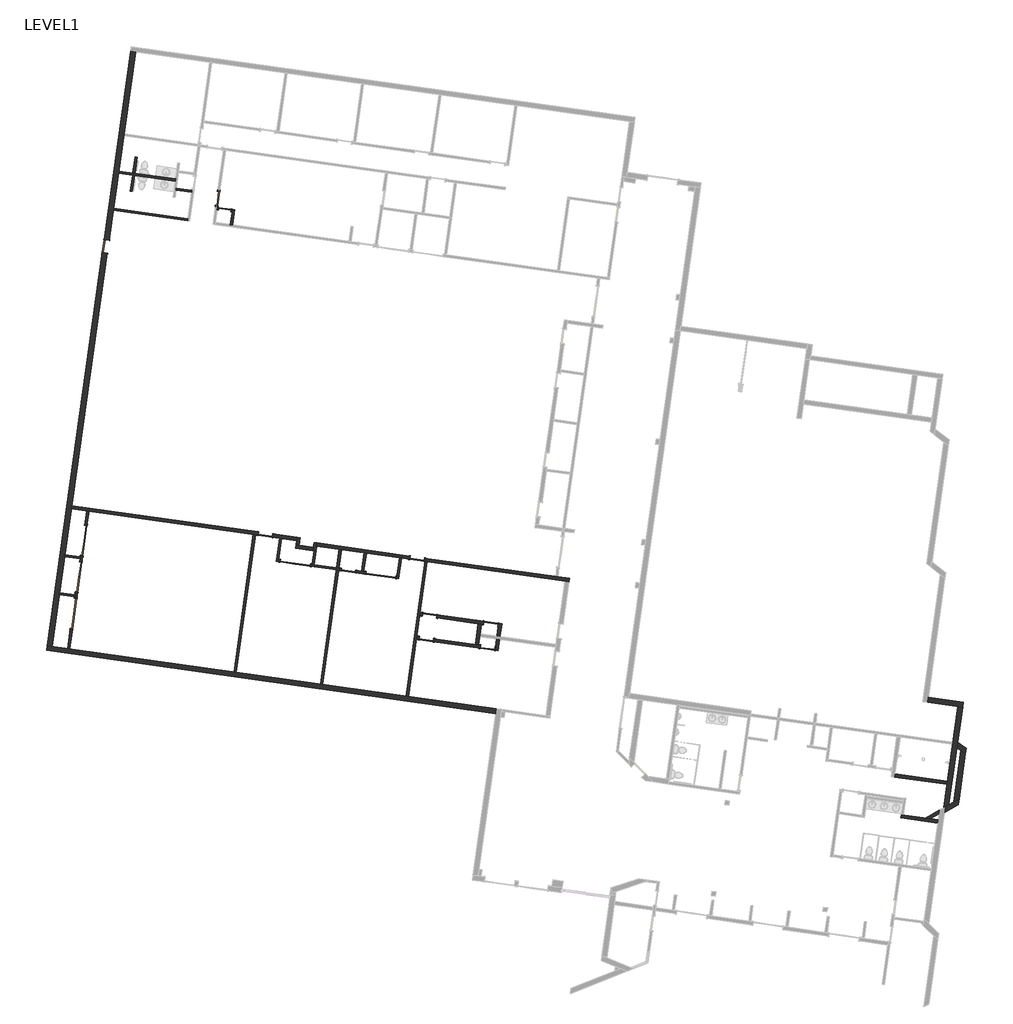
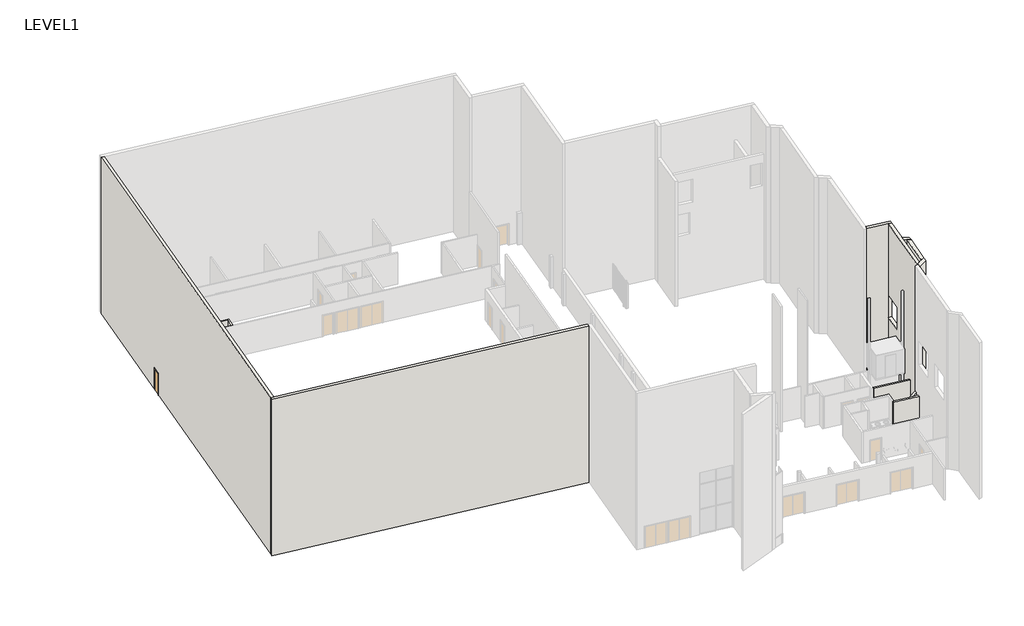
# One storey, part 3 of 5: 36 walls, 15 doors.
"""IFC4 building model written with IfcOpenShell, lengths in millimetres."""

import ifcopenshell
import ifcopenshell.guid

model = None  # the IFC model being written
_history = None  # IfcOwnerHistory: only IFC2X3 demands one
_inside = {}  # id of a spatial element -> (the spatial element, [elements in it])
_under = {}  # id of a project, library or spatial element -> (it, [spatial elements below it])
_declared = {}  # id of a project -> (the project, [libraries it declares])
_typed = {}  # id of a type object -> (the type object, [elements of that type])
_made_of = {}  # id of a material, layer set ... -> (it, [elements and type objects made of it])


def new_model(schema):
    """Start an empty IFC model of exactly this schema.

    Asked for "IFC4X3", IfcOpenShell would pick the latest addendum, in which some entities
    have other attributes; the version numbers below select the first issue.
    IFC2X3 requires an IfcOwnerHistory on every rooted entity: one is made here for all.
    """
    global model, _history
    if schema == "IFC4X3":
        model = ifcopenshell.file(schema_version=(4, 3, 0, 0))
    else:
        model = ifcopenshell.file(schema=schema)
    _inside.clear()
    _under.clear()
    _declared.clear()
    _typed.clear()
    _made_of.clear()
    _history = None
    if model.schema == "IFC2X3":
        org = make("IfcOrganization", Name="unknown")
        user = make(
            "IfcPersonAndOrganization",
            ThePerson=make("IfcPerson", FamilyName="unknown"),
            TheOrganization=org,
        )
        app = make(
            "IfcApplication",
            ApplicationDeveloper=org,
            Version="unknown",
            ApplicationFullName="unknown",
            ApplicationIdentifier="unknown",
        )
        _history = make(
            "IfcOwnerHistory",
            OwningUser=user,
            OwningApplication=app,
            ChangeAction="ADDED",
            CreationDate=0,
        )
    return model


def make(cls, **values):
    """One entity of the class cls with the attributes given. An attribute that is None is left unset."""
    return model.create_entity(
        cls, **{name: value for name, value in values.items() if value is not None}
    )


def rooted(cls, **values):
    """An entity with a GlobalId (a new one), such as an element, a storey or a relation."""
    return make(cls, GlobalId=ifcopenshell.guid.new(), OwnerHistory=_history, **values)


def si_unit(unit_type, name, prefix=None):
    """IfcSIUnit, for example si_unit("LENGTHUNIT", "METRE", prefix="MILLI")."""
    return make("IfcSIUnit", UnitType=unit_type, Prefix=prefix, Name=name)


def assignment(units):
    """IfcUnitAssignment: the units of a project."""
    return None if units is None else make("IfcUnitAssignment", Units=units)


def point(xyz):
    """IfcCartesianPoint."""
    return None if xyz is None else make("IfcCartesianPoint", Coordinates=xyz)


def direction(xyz):
    """IfcDirection."""
    return None if xyz is None else make("IfcDirection", DirectionRatios=xyz)


def frame(location, z_axis=None, x_axis=None):
    """IfcAxis2Placement3D, a coordinate frame: its origin and axes. An axis left out is left unset."""
    return make(
        "IfcAxis2Placement3D",
        Location=point(location),
        Axis=direction(z_axis),
        RefDirection=direction(x_axis),
    )


def origin():
    """The frame at (0, 0, 0) with its axes left unset."""
    return frame((0.0, 0.0, 0.0))


def origin_with_axes():
    """The frame at (0, 0, 0) with the z axis (0, 0, 1) and the x axis (1, 0, 0) written out."""
    return frame((0.0, 0.0, 0.0), z_axis=(0.0, 0.0, 1.0), x_axis=(1.0, 0.0, 0.0))


def place(relative_to, where):
    """IfcLocalPlacement: puts the frame where relative to a parent placement (None: the world)."""
    return make(
        "IfcLocalPlacement", PlacementRelTo=relative_to, RelativePlacement=where
    )


def context(
    kind, dimensions, precision=None, world=None, true_north=None, identifier=None
):
    """IfcGeometricRepresentationContext, for example the 3D "Model" context."""
    return make(
        "IfcGeometricRepresentationContext",
        ContextIdentifier=identifier,
        ContextType=kind,
        CoordinateSpaceDimension=dimensions,
        Precision=precision,
        WorldCoordinateSystem=world,
        TrueNorth=true_north,
    )


def project(units=None, contexts=None):
    """IfcProject with its units and contexts."""
    return rooted(
        "IfcProject",
        Name="project",
        RepresentationContexts=contexts,
        UnitsInContext=assignment(units),
    )


def spatial(cls, under=None, at=None, **own):
    """A site, building, storey or space (cls), placed at a placement, below another one or the project."""
    s = rooted(cls, ObjectPlacement=at, **own)
    if under is not None:
        _under.setdefault(under.id(), (under, []))[1].append(s)
    return s


def polyline(points):
    """IfcPolyline through the points."""
    return make("IfcPolyline", Points=[point(p) for p in points])


def outline(outer, holes=None, kind="AREA"):
    """IfcArbitraryClosedProfileDef: a profile drawn as a closed curve; with holes, ...WithVoids."""
    if holes is None:
        return make("IfcArbitraryClosedProfileDef", ProfileType=kind, OuterCurve=outer)
    return make(
        "IfcArbitraryProfileDefWithVoids",
        ProfileType=kind,
        OuterCurve=outer,
        InnerCurves=holes,
    )


def extrude(swept, where, along, depth):
    """IfcExtrudedAreaSolid: the profile swept, set in the frame where, extruded along a direction by depth."""
    return make(
        "IfcExtrudedAreaSolid",
        SweptArea=swept,
        Position=where,
        ExtrudedDirection=direction(along),
        Depth=depth,
    )


def faces_of(points, faces, orient=None, outer=None):
    """IfcFace entities. A face is a list of loops; a loop is a list of indices into points, from 0.

    orient and outer hold one flag for each loop. By default every Orientation is true, the
    first loop of a face is its IfcFaceOuterBound and the others are IfcFaceBound.
    """
    made = []
    for i, loops in enumerate(faces):
        bounds = []
        for j, loop in enumerate(loops):
            is_outer = j == 0 if outer is None else outer[i][j]
            bounds.append(
                make(
                    "IfcFaceOuterBound" if is_outer else "IfcFaceBound",
                    Bound=make("IfcPolyLoop", Polygon=[points[k] for k in loop]),
                    Orientation=True if orient is None else orient[i][j],
                )
            )
        made.append(make("IfcFace", Bounds=bounds))
    return made


def faceted_brep(points, faces, orient=None, outer=None, voids=None):
    """IfcFacetedBrep: a solid bounded by flat faces; with voids (closed shells), ...WithVoids."""
    shared = [point(p) for p in points]
    hull = make("IfcClosedShell", CfsFaces=faces_of(shared, faces, orient, outer))
    if voids is None:
        return make("IfcFacetedBrep", Outer=hull)
    return make(
        "IfcFacetedBrepWithVoids",
        Outer=hull,
        Voids=[
            make(cls, CfsFaces=faces_of(shared, fs, o, b)) for cls, fs, o, b in voids
        ],
    )


def shape(context_of_items, identifier, shape_type, items):
    """IfcShapeRepresentation: the items that make up one representation, for example the "Body"."""
    return make(
        "IfcShapeRepresentation",
        ContextOfItems=context_of_items,
        RepresentationIdentifier=identifier,
        RepresentationType=shape_type,
        Items=items,
    )


def source(mapping_origin, context_of_items, identifier, shape_type, items):
    """IfcRepresentationMap: a shape defined once, which mapped items show again and again."""
    return make(
        "IfcRepresentationMap",
        MappingOrigin=mapping_origin,
        MappedRepresentation=shape(context_of_items, identifier, shape_type, items),
    )


def transform(
    local_origin,
    x_axis=None,
    y_axis=None,
    z_axis=None,
    scale=None,
    scale2=None,
    scale3=None,
    uniform=True,
):
    """IfcCartesianTransformationOperator3D, or its non-uniform kind. x_axis, y_axis, z_axis: its Axis1, 2, 3."""
    if uniform:
        return make(
            "IfcCartesianTransformationOperator3D",
            Axis1=direction(x_axis),
            Axis2=direction(y_axis),
            LocalOrigin=point(local_origin),
            Scale=scale,
            Axis3=direction(z_axis),
        )
    return make(
        "IfcCartesianTransformationOperator3DnonUniform",
        Axis1=direction(x_axis),
        Axis2=direction(y_axis),
        LocalOrigin=point(local_origin),
        Scale=scale,
        Axis3=direction(z_axis),
        Scale2=scale2,
        Scale3=scale3,
    )


def mapped(mapping_source, mapping_target):
    """IfcMappedItem: shows the shape of a source again, moved by a transform."""
    return make(
        "IfcMappedItem", MappingSource=mapping_source, MappingTarget=mapping_target
    )


def made_of(thing, what):
    """Note that an element or type object is made of a material, layer set ...; save() writes the relation."""
    if what is not None:
        _made_of.setdefault(what.id(), (what, []))[1].append(thing)
    return thing


def element(
    cls,
    number,
    at=None,
    inside=None,
    cuts=None,
    type_object=None,
    material=None,
    context=None,
    identifier="Body",
    shape_type=None,
    held_by="IfcProductDefinitionShape",
    body=None,
    shapes=None,
    **own,
):
    """One element of the class cls, such as IfcWall. Its Tag is "e" and its number.

    at: its placement. inside: the storey or other place that contains it. cuts: it is an
    opening in that element (IfcRelVoidsElement). A single representation is given by context,
    identifier, shape_type and body (its items); several are given by shapes. held_by: the class
    of the entity that holds the representations. save() writes the other relations.
    """
    e = rooted(cls, Tag="e%d" % number, ObjectPlacement=at, **own)
    if body is not None:
        shapes = [shape(context, identifier, shape_type, body)]
    if shapes is not None:
        e.Representation = make(held_by, Representations=shapes)
    if inside is not None:
        _inside.setdefault(inside.id(), (inside, []))[1].append(e)
    if cuts is not None:
        rooted(
            "IfcRelVoidsElement", RelatingBuildingElement=cuts, RelatedOpeningElement=e
        )
    if type_object is not None:
        _typed.setdefault(type_object.id(), (type_object, []))[1].append(e)
    return made_of(e, material)


def aggregate(whole, parts):
    """IfcRelAggregates: a whole, such as a stair, and the parts it consists of."""
    return rooted("IfcRelAggregates", RelatingObject=whole, RelatedObjects=parts)


def save(model, path):
    """Write the relations noted so far, then the file.

    IfcRelAggregates (storeys below a building ...), IfcRelContainedInSpatialStructure (elements
    in a storey), IfcRelDefinesByType, IfcRelAssociatesMaterial and IfcRelDeclares: one each for
    every whole, place, type object, material and project.
    """
    for whole, parts in _under.values():
        aggregate(whole, parts)
    for where, things in _inside.values():
        rooted(
            "IfcRelContainedInSpatialStructure",
            RelatedElements=things,
            RelatingStructure=where,
        )
    for kind, things in _typed.values():
        rooted("IfcRelDefinesByType", RelatedObjects=things, RelatingType=kind)
    for what, things in _made_of.values():
        rooted("IfcRelAssociatesMaterial", RelatedObjects=things, RelatingMaterial=what)
    for by, libraries in _declared.values():
        rooted("IfcRelDeclares", RelatingContext=by, RelatedDefinitions=libraries)
    model.write(path)


def door_03a1cf00(model_context):
    return source(origin(), model_context, "Body", "SweptSolid", [
        extrude(outline(polyline([(2032.0, -914.4), (2032.0, 914.4), (0.0, 914.4), (0.0, 990.6), (2108.2, 990.6), (2108.2, -990.6), (0.0, -990.6), (0.0, -914.4), (2032.0, -914.4)])), frame((0.0, -88.9, 0.0), z_axis=(0.0, 1.0, 0.0), x_axis=(0.0, 0.0, 1.0)), (0.0, 0.0, 1.0), 25.4),
        extrude(outline(polyline([(2032.0, -914.4), (2032.0, 914.4), (0.0, 914.4), (0.0, 990.6), (2108.2, 990.6), (2108.2, -990.6), (0.0, -990.6), (0.0, -914.4), (2032.0, -914.4)])), frame((0.0, 63.5, 0.0), z_axis=(0.0, 1.0, 0.0), x_axis=(0.0, 0.0, 1.0)), (0.0, 0.0, 1.0), 25.4),
        extrude(outline(polyline([(0.0, 63.5), (914.4, 63.5), (914.4, 12.7), (0.0, 12.7), (0.0, 63.5)])), origin_with_axes(), (0.0, 0.0, 1.0), 2032.0),
        extrude(outline(polyline([(-914.4, 63.5), (0.0, 63.5), (0.0, 12.7), (-914.4, 12.7), (-914.4, 63.5)])), origin_with_axes(), (0.0, 0.0, 1.0), 2032.0),
    ])


def door_e00f436c(model_context):
    return source(origin(), model_context, "Body", "SweptSolid", [
        extrude(outline(polyline([(2108.2, -457.2), (0.0, -457.2), (0.0, -381.0), (2032.0, -381.0), (2032.0, 381.0), (0.0, 381.0), (0.0, 457.2), (2108.2, 457.2), (2108.2, -457.2)])), frame((0.0, -88.9, 0.0), z_axis=(0.0, 1.0, 0.0), x_axis=(0.0, 0.0, 1.0)), (0.0, 0.0, 1.0), 25.4),
        extrude(outline(polyline([(2108.2, 457.2), (2108.2, -457.2), (0.0, -457.2), (0.0, -381.0), (2032.0, -381.0), (2032.0, 381.0), (0.0, 381.0), (0.0, 457.2), (2108.2, 457.2)])), frame((0.0, 63.5, 0.0), z_axis=(0.0, 1.0, 0.0), x_axis=(0.0, 0.0, 1.0)), (0.0, 0.0, 1.0), 25.4),
        extrude(outline(polyline([(381.0, -12.7), (381.0, -63.5), (-381.0, -63.5), (-381.0, -12.7), (381.0, -12.7)])), origin_with_axes(), (0.0, 0.0, 1.0), 2032.0),
    ])


def door_6c3b20b5(model_context):
    return source(origin(), model_context, "Body", "SweptSolid", [
        extrude(outline(polyline([(2108.2, -457.2), (0.0, -457.2), (0.0, -381.0), (2032.0, -381.0), (2032.0, 381.0), (0.0, 381.0), (0.0, 457.2), (2108.2, 457.2), (2108.2, -457.2)])), frame((0.0, 147.6375, 0.0), z_axis=(0.0, 1.0, 0.0), x_axis=(0.0, 0.0, 1.0)), (0.0, 0.0, 1.0), 25.4),
        extrude(outline(polyline([(2108.2, 457.2), (2108.2, -457.2), (0.0, -457.2), (0.0, -381.0), (2032.0, -381.0), (2032.0, 381.0), (0.0, 381.0), (0.0, 457.2), (2108.2, 457.2)])), frame((0.0, -173.0375, 0.0), z_axis=(0.0, 1.0, 0.0), x_axis=(0.0, 0.0, 1.0)), (0.0, 0.0, 1.0), 25.4),
        extrude(outline(polyline([(381.0, 96.8375), (-381.0, 96.8375), (-381.0, 147.6375), (381.0, 147.6375), (381.0, 96.8375)])), origin_with_axes(), (0.0, 0.0, 1.0), 2032.0),
    ])


def door_92889684(model_context):
    return source(origin(), model_context, "Body", "SweptSolid", [
        extrude(outline(polyline([(2108.2, -508.0), (0.0, -508.0), (0.0, -431.8), (2032.0, -431.8), (2032.0, 431.8), (0.0, 431.8), (0.0, 508.0), (2108.2, 508.0), (2108.2, -508.0)])), frame((0.0, 63.5, 0.0), z_axis=(0.0, 1.0, 0.0), x_axis=(0.0, 0.0, 1.0)), (0.0, 0.0, 1.0), 25.4),
        extrude(outline(polyline([(2108.2, 508.0), (2108.2, -508.0), (0.0, -508.0), (0.0, -431.8), (2032.0, -431.8), (2032.0, 431.8), (0.0, 431.8), (0.0, 508.0), (2108.2, 508.0)])), frame((0.0, -88.9, 0.0), z_axis=(0.0, 1.0, 0.0), x_axis=(0.0, 0.0, 1.0)), (0.0, 0.0, 1.0), 25.4),
        extrude(outline(polyline([(431.8, 12.7), (-431.8, 12.7), (-431.8, 63.5), (431.8, 63.5), (431.8, 12.7)])), origin_with_axes(), (0.0, 0.0, 1.0), 2032.0),
    ])


def door_a20226ba(model_context):
    return source(origin(), model_context, "Body", "SweptSolid", [
        extrude(outline(polyline([(2108.2, -508.0), (0.0, -508.0), (0.0, -431.8), (2032.0, -431.8), (2032.0, 431.8), (0.0, 431.8), (0.0, 508.0), (2108.2, 508.0), (2108.2, -508.0)])), frame((0.0, -122.2375, 0.0), z_axis=(0.0, 1.0, 0.0), x_axis=(0.0, 0.0, 1.0)), (0.0, 0.0, 1.0), 25.4),
        extrude(outline(polyline([(2108.2, 508.0), (2108.2, -508.0), (0.0, -508.0), (0.0, -431.8), (2032.0, -431.8), (2032.0, 431.8), (0.0, 431.8), (0.0, 508.0), (2108.2, 508.0)])), frame((0.0, 96.8375, 0.0), z_axis=(0.0, 1.0, 0.0), x_axis=(0.0, 0.0, 1.0)), (0.0, 0.0, 1.0), 25.4),
        extrude(outline(polyline([(431.8, -46.0375), (431.8, -96.8375), (-431.8, -96.8375), (-431.8, -46.0375), (431.8, -46.0375)])), origin_with_axes(), (0.0, 0.0, 1.0), 2032.0),
    ])


def door_eb1e2ad5(model_context):
    return source(origin(), model_context, "Body", "SweptSolid", [
        extrude(outline(polyline([(2108.2, -508.0), (0.0, -508.0), (0.0, -431.8), (2032.0, -431.8), (2032.0, 431.8), (0.0, 431.8), (0.0, 508.0), (2108.2, 508.0), (2108.2, -508.0)])), frame((0.0, 96.8375, 0.0), z_axis=(0.0, 1.0, 0.0), x_axis=(0.0, 0.0, 1.0)), (0.0, 0.0, 1.0), 25.4),
        extrude(outline(polyline([(2108.2, 508.0), (2108.2, -508.0), (0.0, -508.0), (0.0, -431.8), (2032.0, -431.8), (2032.0, 431.8), (0.0, 431.8), (0.0, 508.0), (2108.2, 508.0)])), frame((0.0, -122.2375, 0.0), z_axis=(0.0, 1.0, 0.0), x_axis=(0.0, 0.0, 1.0)), (0.0, 0.0, 1.0), 25.4),
        extrude(outline(polyline([(431.8, 46.0375), (-431.8, 46.0375), (-431.8, 96.8375), (431.8, 96.8375), (431.8, 46.0375)])), origin_with_axes(), (0.0, 0.0, 1.0), 2032.0),
    ])


model = new_model("IFC4")

# Units and contexts
model_context = context("Model", 3, world=origin())
ifc_project = project(units=[si_unit("LENGTHUNIT", "METRE", prefix="MILLI")], contexts=[model_context])

# Site, building, storey
site = spatial("IfcSite", under=ifc_project)
building = spatial("IfcBuilding", under=site)
storey = spatial("IfcBuildingStorey", under=building, Name="LEVEL1", Elevation=0.0)

# Doors
placement = place(None, origin())
door_shape = door_03a1cf00(model_context)
element("IfcDoor", 1, ObjectType="Door-Double-Flush_Panel : 6'X 6'8\"", at=placement, inside=storey, context=model_context, shape_type="MappedRepresentation", body=[
    mapped(door_shape, transform((-7467.5334337, 6888.710857, 0.0), x_axis=(-0.990268068741571, 0.13917310096005983, 0.0), y_axis=(-0.13917310096005983, -0.990268068741571, 0.0), z_axis=(0.0, 0.0, 1.0))),
])
element("IfcDoor", 2, ObjectType="Door-Double-Flush_Panel : 6'X 6'8\"", at=placement, inside=storey, context=model_context, shape_type="MappedRepresentation", body=[
    mapped(door_shape, transform((-12623.8592676, 7613.3851937, 0.0), x_axis=(-0.990268068741571, 0.13917310096005983, 0.0), y_axis=(-0.13917310096005983, -0.990268068741571, 0.0), z_axis=(0.0, 0.0, 1.0))),
])
element("IfcDoor", 3, ObjectType="Door-Double-Flush_Panel : 6'X 6'8\"", at=placement, inside=storey, context=model_context, shape_type="MappedRepresentation", body=[
    mapped(door_shape, transform((-25997.5243193, 4573.0993895, 0.0), x_axis=(-0.13917310096006788, -0.99026806874157, 0.0), y_axis=(0.99026806874157, -0.13917310096006788, 0.0), z_axis=(0.0, 0.0, 1.0))),
])
element("IfcDoor", 4, ObjectType="Door-Double-Flush_Panel : 6'X 6'8\"", at=placement, inside=storey, context=model_context, shape_type="MappedRepresentation", body=[
    mapped(door_shape, transform((-25379.7836347, 8968.5527528, 0.0), x_axis=(-0.13917310096006788, -0.99026806874157, 0.0), y_axis=(0.99026806874157, -0.13917310096006788, 0.0), z_axis=(0.0, 0.0, 1.0))),
])
element("IfcDoor", 5, ObjectType="Door-Double-Flush_Panel : 6'X 6'8\"", at=placement, inside=storey, context=model_context, shape_type="MappedRepresentation", body=[
    mapped(door_shape, transform((-25688.653977, 6770.8260712, 0.0), x_axis=(-0.13917310096006788, -0.99026806874157, 0.0), y_axis=(0.99026806874157, -0.13917310096006788, 0.0), z_axis=(0.0, 0.0, 1.0))),
])
door_2_shape = door_e00f436c(model_context)
element("IfcDoor", 6, ObjectType="Single-Flush : 30\" x 80\"", at=placement, inside=storey, context=model_context, shape_type="MappedRepresentation", body=[
    mapped(door_2_shape, transform((-16875.1923804, 28921.4223711, 0.0), x_axis=(-0.9902680687415693, 0.13917310096007326, 0.0), y_axis=(-0.13917310096007326, -0.9902680687415693, 0.0), z_axis=(0.0, 0.0, 1.0))),
])
door_3_shape = door_6c3b20b5(model_context)
element("IfcDoor", 7, ObjectType="Single-Flush : 30\" x 80\"", at=placement, inside=storey, context=model_context, shape_type="MappedRepresentation", body=[
    mapped(door_3_shape, transform((-24056.8386186, 26698.8847648, 0.0), x_axis=(0.13917310096007102, 0.9902680687415696, 0.0), y_axis=(-0.9902680687415696, 0.13917310096007102, 0.0), z_axis=(0.0, 0.0, 1.0))),
])
door_4_shape = door_92889684(model_context)
element("IfcDoor", 8, ObjectType="Single-Flush : 34\" x 80\"", at=placement, inside=storey, context=model_context, shape_type="MappedRepresentation", body=[
    mapped(door_4_shape, transform((-17305.9850414, 29597.5572195, 0.0), x_axis=(-0.13917310096007104, -0.9902680687415696, 0.0), y_axis=(0.9902680687415696, -0.13917310096007104, 0.0), z_axis=(0.0, 0.0, 1.0))),
])
element("IfcDoor", 9, ObjectType="Single-Flush : 34\" x 80\"", at=placement, inside=storey, context=model_context, shape_type="MappedRepresentation", body=[
    mapped(door_4_shape, transform((-9429.4525315, 7164.4406046, 0.0), x_axis=(-0.990268068741571, 0.13917310096005983, 0.0), y_axis=(-0.13917310096005983, -0.990268068741571, 0.0), z_axis=(0.0, 0.0, 1.0))),
])
door_5_shape = door_a20226ba(model_context)
element("IfcDoor", 10, ObjectType="Single-Flush : 34\" x 80\"", at=placement, inside=storey, context=model_context, shape_type="MappedRepresentation", body=[
    mapped(door_5_shape, transform((-5276.7913814, 7876.1279676, 0.0), x_axis=(0.9902680687415698, -0.1391731009600693, 0.0), y_axis=(0.1391731009600693, 0.9902680687415698, 0.0), z_axis=(0.0, 0.0, 1.0))),
])
element("IfcDoor", 11, ObjectType="Single-Flush : 34\" x 80\"", at=placement, inside=storey, context=model_context, shape_type="MappedRepresentation", body=[
    mapped(door_5_shape, transform((-1029.5030351, 2508.3811346, 0.0), x_axis=(0.9902680687415698, -0.1391731009600693, 0.0), y_axis=(0.1391731009600693, 0.9902680687415698, 0.0), z_axis=(0.0, 0.0, 1.0))),
])
element("IfcDoor", 12, ObjectType="Single-Flush : 34\" x 80\"", at=placement, inside=storey, context=model_context, shape_type="MappedRepresentation", body=[
    mapped(door_5_shape, transform((-4525.4711346, 4461.7357689, 0.0), x_axis=(-0.9902680687415699, 0.13917310096006927, 0.0), y_axis=(-0.13917310096006927, -0.9902680687415699, 0.0), z_axis=(0.0, 0.0, 1.0))),
])
door_6_shape = door_eb1e2ad5(model_context)
element("IfcDoor", 13, ObjectType="Single-Flush : 34\" x 80\"", at=placement, inside=storey, context=model_context, shape_type="MappedRepresentation", body=[
    mapped(door_6_shape, transform((-14434.3682304, 9331.4670953, 0.0), x_axis=(-0.9902680687415698, 0.1391731009600693, 0.0), y_axis=(-0.1391731009600693, -0.9902680687415698, 0.0), z_axis=(0.0, 0.0, 1.0))),
])
element("IfcDoor", 14, ObjectType="Single-Flush : 34\" x 80\"", at=placement, inside=storey, context=model_context, shape_type="MappedRepresentation", body=[
    mapped(door_6_shape, transform((-828.0082195, 3942.0912445, 0.0), x_axis=(0.9902680687415699, -0.13917310096006927, 0.0), y_axis=(0.13917310096006927, 0.9902680687415699, 0.0), z_axis=(0.0, 0.0, 1.0))),
])
element("IfcDoor", 15, ObjectType="Single-Flush : 34\" x 80\"", at=placement, inside=storey, context=model_context, shape_type="MappedRepresentation", body=[
    mapped(door_6_shape, transform((-4726.9659502, 3028.025659, 0.0), x_axis=(-0.9902680687415698, 0.1391731009600693, 0.0), y_axis=(-0.1391731009600693, -0.9902680687415698, 0.0), z_axis=(0.0, 0.0, 1.0))),
])

# Walls
element("IfcWall", 16, ObjectType="Generic - 12\" Masonry", at=placement, inside=storey, context=model_context, shape_type="Brep", body=[
    faceted_brep([(-497.3397384, -1165.2859453, 15240.0), (-497.3397384, -1165.2859453, 0.0), (-5807.501161, -418.9914266, 0.0), (-5933.2652057, -401.3164427, 0.0), (-10988.9798039, 309.2179069, 0.0), (-11114.7438486, 326.8928907, 0.0), (-16195.6112557, 1040.9622371, 0.0), (-16321.3753004, 1058.637221, 0.0), (-26231.5820252, 2451.4259461, 0.0), (-26357.3460699, 2469.1009299, 0.0), (-27294.5135693, 2600.8112326, 0.0), (-27586.9149733, 2641.9055699, 0.0), (-27586.9149733, 2641.9055699, 15240.0), (-27294.5135693, 2600.8112326, 15240.0), (-538.4340758, -1457.6873493, 0.0), (-538.4340758, -1457.6873493, 15240.0), (-27628.0093107, 2349.5041659, 15240.0), (-27628.0093107, 2349.5041659, 0.0)], [[[0, 1, 2, 3, 4, 5, 6, 7, 8, 9, 10, 11, 12, 13]], [[14, 15, 16, 17]], [[11, 10, 9, 8, 7, 6, 5, 4, 3, 2, 1, 14, 17]], [[0, 13, 12, 16, 15]], [[12, 11, 17, 16]], [[0, 15, 14, 1]]]),
])
element("IfcWall", 17, ObjectType="Generic - 12\" Masonry", at=placement, inside=storey, context=model_context, shape_type="Brep", body=[
    faceted_brep([(-23857.6129651, 27055.6297303, 2032.0), (-23857.6129651, 27055.6297303, 0.0), (-23601.3256997, 28879.2083789, 0.0), (-23583.6507159, 29004.9724237, 0.0), (-23286.7109876, 31117.8083751, 0.0), (-23269.0360038, 31243.5724199, 0.0), (-22972.0962756, 33356.4083713, 0.0), (-22954.4212918, 33482.1724161, 0.0), (-22261.561926, 38412.1229695, 0.0), (-22261.561926, 38412.1229695, 15240.0), (-27294.5135693, 2600.8112326, 15240.0), (-27294.5135693, 2600.8112326, 0.0), (-26857.9414689, 5707.1831374, 0.0), (-26840.266485, 5832.9471821, 0.0), (-26537.1405125, 7989.8005492, 0.0), (-26519.4655287, 8115.564594, 0.0), (-26131.2905418, 10877.5731428, 0.0), (-26104.3361914, 11069.3633111, 0.0), (-23963.662868, 26301.045462, 0.0), (-23963.662868, 26301.045462, 2032.0), (-22553.96333, 38453.2173069, 0.0), (-24150.0143691, 27096.7240677, 0.0), (-24150.0143691, 27096.7240677, 2032.0), (-24256.064272, 26342.1397993, 2032.0), (-24256.064272, 26342.1397993, 0.0), (-27586.9149733, 2641.9055699, 0.0), (-27586.9149733, 2641.9055699, 15240.0), (-22553.96333, 38453.2173069, 15240.0)], [[[0, 1, 2, 3, 4, 5, 6, 7, 8, 9, 10, 11, 12, 13, 14, 15, 16, 17, 18, 19]], [[20, 21, 22, 23, 24, 25, 26, 27]], [[8, 7, 6, 5, 4, 3, 2, 1, 21, 20]], [[18, 17, 16, 15, 14, 13, 12, 11, 25, 24]], [[10, 9, 27, 26]], [[11, 10, 26, 25]], [[9, 8, 20, 27]], [[22, 21, 1, 0]], [[23, 22, 0, 19]], [[24, 23, 19, 18]]]),
])
element("IfcWall", 18, ObjectType="Generic - 12\" Masonry", at=placement, inside=storey, context=model_context, shape_type="Brep", body=[
    faceted_brep([(25501.9348044, -777.8273861, 0.0), (27322.3693518, -1033.6727769, 0.0), (27614.7707558, -1074.7671143, 0.0), (27614.7707558, -1074.7671143, 6096.0), (27322.3693518, -1033.6727769, 6096.0), (27322.3693518, -1033.6727769, 8331.2), (27614.7707558, -1074.7671143, 8331.2), (27614.7707558, -1074.7671143, 15240.0), (27322.3693518, -1033.6727769, 15240.0), (27162.0201948, -1011.1371725, 15240.0), (26970.2300266, -984.1828222, 15240.0), (25501.9348044, -777.8273861, 15240.0), (27655.8650932, -782.3657103, 0.0), (25543.0291417, -485.4259821, 0.0), (25543.0291417, -485.4259821, 15240.0), (27655.8650932, -782.3657103, 15240.0), (27614.807897, -1074.5028414, 8331.2), (27614.807897, -1074.5028414, 6096.0), (27322.406493, -1033.408504, 6096.0), (27322.406493, -1033.408504, 8331.2)], [[[0, 1, 2, 3, 4, 5, 6, 7, 8, 9, 10, 11]], [[12, 13, 14, 15]], [[2, 1, 0, 13, 12]], [[11, 10, 9, 8, 7, 15, 14]], [[2, 12, 15, 7, 6, 16, 17, 3]], [[11, 14, 13, 0]], [[18, 19, 5, 4]], [[19, 16, 6, 5]], [[19, 18, 17, 16]], [[17, 18, 4, 3]]]),
])
element("IfcWall", 19, ObjectType="Generic - 12\" Masonry", at=placement, inside=storey, context=model_context, shape_type="Brep", body=[
    faceted_brep([(27322.3693518, -1033.6727769, 0.0), (27018.5745341, -3195.2852245, 0.0), (27000.8995503, -3321.0492693, 0.0), (26689.819835, -5534.4964565, 0.0), (26662.8654847, -5726.2866247, 0.0), (26467.2297889, -7118.3069314, 0.0), (26467.2297889, -7118.3069314, 15240.0), (26983.0096624, -3448.3424357, 15240.0), (27024.1039998, -3155.9410317, 15240.0), (27322.3693518, -1033.6727769, 15240.0), (27322.3693518, -1033.6727769, 8331.2), (27053.7467389, -2945.0219839, 8331.2), (27053.7467389, -2945.0219839, 6096.0), (27322.3693518, -1033.6727769, 6096.0), (26791.737608, -6930.9522547, 0.0), (27270.3841508, -3525.2051367, 0.0), (27316.5054038, -3197.0353691, 0.0), (27614.7707558, -1074.7671143, 0.0), (27614.7707558, -1074.7671143, 6096.0), (27346.1481429, -2986.1163213, 6096.0), (27346.1481429, -2986.1163213, 8331.2), (27614.7707558, -1074.7671143, 8331.2), (27614.7707558, -1074.7671143, 15240.0), (27316.5054038, -3197.0353691, 15240.0), (27270.3841508, -3525.2051367, 15240.0), (26791.737608, -6930.9522547, 15240.0), (26564.1772974, -7062.3342613, 0.0), (26564.1772974, -7062.3342613, 15240.0)], [[[0, 1, 2, 3, 4, 5, 6, 7, 8, 9, 10, 11, 12, 13]], [[14, 15, 16, 17, 18, 19, 20, 21, 22, 23, 24, 25]], [[5, 4, 3, 2, 1, 0, 17, 16, 15, 14, 26]], [[9, 8, 7, 6, 27, 25, 24, 23, 22]], [[9, 22, 21, 10]], [[17, 0, 13, 18]], [[5, 26, 14, 25, 27, 6]], [[19, 12, 11, 20]], [[20, 11, 10, 21]], [[12, 19, 18, 13]]]),
])
element("IfcWall", 20, ObjectType="Generic - 12\" Masonry", at=placement, inside=storey, context=model_context, shape_type="Brep", body=[
    faceted_brep([(27270.3841508, -3525.2051367, 15240.0), (27270.3841508, -3525.2051367, 0.0), (27509.1078848, -3692.3612948, 0.0), (27780.5706781, -3882.441589, 0.0), (27780.5706781, -3882.441589, 15240.0), (27509.1078848, -3692.3612948, 15240.0), (27316.5054038, -3197.0353691, 0.0), (27316.5054038, -3197.0353691, 15240.0), (27826.6919311, -3554.2718214, 15240.0), (27826.6919311, -3554.2718214, 0.0)], [[[0, 1, 2, 3, 4, 5]], [[6, 7, 8, 9]], [[3, 2, 1, 6, 9]], [[0, 5, 4, 8, 7]], [[4, 3, 9, 8]], [[0, 7, 6, 1]]]),
])
element("IfcWall", 21, ObjectType="Generic - 12\" Masonry", at=placement, inside=storey, context=model_context, shape_type="SweptSolid", body=[
    extrude(outline(polyline([(27077.1090115, -6766.1929981), (27509.1078848, -3692.3612948), (27780.5706781, -3882.441589), (27401.6168306, -6578.8383213), (27077.1090115, -6766.1929981)])), origin_with_axes(), (0.0, 0.0, 1.0), 15240.0),
])
element("IfcWall", 22, ObjectType="Generic - 12\" Masonry", at=placement, inside=storey, context=model_context, shape_type="Brep", body=[
    faceted_brep([(26512.0278347, -7433.3969691, 15240.0), (26512.0278347, -7433.3969691, 0.0), (27349.4673679, -6949.9010291, 0.0), (27349.4673679, -6949.9010291, 15240.0), (26564.1772974, -7062.3342613, 0.0), (26564.1772974, -7062.3342613, 15240.0), (26791.737608, -6930.9522547, 15240.0), (27077.1090115, -6766.1929981, 15240.0), (27401.6168306, -6578.8383213, 15240.0), (27401.6168306, -6578.8383213, 0.0), (27077.1090115, -6766.1929981, 0.0), (26791.737608, -6930.9522547, 0.0)], [[[0, 1, 2, 3]], [[4, 5, 6, 7, 8, 9, 10, 11]], [[2, 1, 4, 11, 10, 9]], [[0, 3, 8, 7, 6, 5]], [[3, 2, 9, 8]], [[0, 5, 4, 1]]]),
])
element("IfcWall", 23, ObjectType="Generic - 5\"", at=placement, inside=storey, context=model_context, shape_type="Brep", body=[
    faceted_brep([(-16415.1001662, 27997.4983458, 0.0), (-16287.8402827, 28902.9994679, 0.0), (-16287.8402827, 28902.9994679, 3048.0), (-16415.1001662, 27997.4983458, 3048.0), (-16540.864211, 28015.1733296, 0.0), (-16540.864211, 28015.1733296, 3048.0), (-16431.2793113, 28794.910407, 3048.0), (-16413.6043274, 28920.6744517, 3048.0), (-16413.6043274, 28920.6744517, 0.0), (-16431.2793113, 28794.910407, 0.0)], [[[0, 1, 2, 3]], [[4, 5, 6, 7, 8, 9]], [[1, 0, 4, 9, 8]], [[3, 2, 7, 6, 5]], [[0, 3, 5, 4]], [[2, 1, 8, 7]]]),
])
element("IfcWall", 24, ObjectType="Generic - 5\"", at=placement, inside=storey, context=model_context, shape_type="SweptSolid", body=[
    extrude(outline(polyline([(-1238.4775809, 0.0), (-1162.2775809, 0.0), (-1162.2775809, -2032.0), (-400.2775809, -2032.0), (-400.2775809, 0.0), (-324.0775809, 0.0), (-324.0775809, -3048.0), (-1238.4775809, -3048.0), (-1238.4775809, 0.0)])), frame((-16110.3556311, 28749.8075251, 0.0), z_axis=(0.1391731009600733, 0.9902680687415693, 0.0), x_axis=(0.9902680687415693, -0.1391731009600733, 0.0)), (0.0, 0.0, 1.0), 127.0),
])
element("IfcWall", 25, ObjectType="Generic - 5\"", at=placement, inside=storey, context=model_context, shape_type="Brep", body=[
    faceted_brep([(-19848.2539872, 30762.8128599, 0.0), (-22295.9367077, 31106.8122325, 0.0), (-22421.7007525, 31124.4872164, 0.0), (-23269.0360038, 31243.5724199, 0.0), (-23269.0360038, 31243.5724199, 3048.0), (-22421.7007525, 31124.4872164, 3048.0), (-22295.9367077, 31106.8122325, 3048.0), (-19848.2539872, 30762.8128599, 3048.0), (-19865.928971, 30637.0488152, 0.0), (-19865.928971, 30637.0488152, 3048.0), (-22313.6116915, 30981.0481878, 3048.0), (-22439.3757363, 30998.7231716, 3048.0), (-23286.7109876, 31117.8083751, 3048.0), (-23286.7109876, 31117.8083751, 0.0), (-22439.3757363, 30998.7231716, 0.0), (-22313.6116915, 30981.0481878, 0.0)], [[[0, 1, 2, 3, 4, 5, 6, 7]], [[8, 9, 10, 11, 12, 13, 14, 15]], [[3, 2, 1, 0, 8, 15, 14, 13]], [[7, 6, 5, 4, 12, 11, 10, 9]], [[4, 3, 13, 12]], [[0, 7, 9, 8]]]),
])
element("IfcWall", 26, ObjectType="Generic - 5\"", at=placement, inside=storey, context=model_context, shape_type="SweptSolid", body=[
    extrude(outline(polyline([(-19796.7248745, 30216.9288882), (-18866.0709435, 30086.1340079), (-18883.7459273, 29960.3699632), (-19814.3998583, 30091.1648435), (-19796.7248745, 30216.9288882)])), origin_with_axes(), (0.0, 0.0, 1.0), 3048.0),
])
element("IfcWall", 27, ObjectType="Generic - 5\"", at=placement, inside=storey, context=model_context, shape_type="SweptSolid", body=[
    extrude(outline(polyline([(-22285.603377, 32092.8703608), (-22159.8393323, 32075.195377), (-22295.9367077, 31106.8122325), (-22421.7007525, 31124.4872164), (-22285.603377, 32092.8703608)])), origin_with_axes(), (0.0, 0.0, 1.0), 3048.0),
    extrude(outline(polyline([(-22449.709067, 30012.6650434), (-22575.4731117, 30030.3400272), (-22439.3757363, 30998.7231716), (-22313.6116915, 30981.0481878), (-22449.709067, 30012.6650434)])), origin_with_axes(), (0.0, 0.0, 1.0), 3048.0),
])
element("IfcWall", 28, ObjectType="Generic - 5\"", at=placement, inside=storey, context=model_context, shape_type="SweptSolid", body=[
    extrude(outline(polyline([(-23583.6507159, 29004.9724237), (-19106.4507235, 28375.7429996), (-19124.1257073, 28249.9789549), (-23601.3256997, 28879.2083789), (-23583.6507159, 29004.9724237)])), origin_with_axes(), (0.0, 0.0, 1.0), 3048.0),
])
element("IfcWall", 29, ObjectType="Generic - 5\"", at=placement, inside=storey, context=model_context, shape_type="Brep", body=[
    faceted_brep([(-5807.501161, -418.9914266, 0.0), (-5324.9859479, 3014.282711, 0.0), (-5298.0315976, 3206.0728793, 0.0), (-5123.4911323, 4447.992821, 0.0), (-5096.536782, 4639.7829892, 0.0), (-4667.4765497, 7692.705175, 0.0), (-4667.4765497, 7692.705175, 3048.0), (-5096.536782, 4639.7829892, 3048.0), (-5123.4911323, 4447.992821, 3048.0), (-5298.0315976, 3206.0728793, 3048.0), (-5324.9859479, 3014.282711, 3048.0), (-5807.501161, -418.9914266, 3048.0), (-5933.2652057, -401.3164427, 0.0), (-5933.2652057, -401.3164427, 3048.0), (-4793.2405945, 7710.3801588, 3048.0), (-4793.2405945, 7710.3801588, 0.0)], [[[0, 1, 2, 3, 4, 5, 6, 7, 8, 9, 10, 11]], [[12, 13, 14, 15]], [[5, 4, 3, 2, 1, 0, 12, 15]], [[11, 10, 9, 8, 7, 6, 14, 13]], [[0, 11, 13, 12]], [[6, 5, 15, 14]]]),
])
element("IfcWall", 30, ObjectType="Generic - 5\"", at=placement, inside=storey, context=model_context, shape_type="Brep", body=[
    faceted_brep([(-10988.9798039, 309.2179069, 0.0), (-10022.832846, 7183.7107184, 0.0), (-10005.1578621, 7309.4747632, 0.0), (-9848.9551926, 8420.9145085, 0.0), (-9848.9551926, 8420.9145085, 3048.0), (-10005.1578621, 7309.4747632, 3048.0), (-10022.832846, 7183.7107184, 3048.0), (-10988.9798039, 309.2179069, 3048.0), (-11114.7438486, 326.8928907, 0.0), (-11114.7438486, 326.8928907, 3048.0), (-10148.5968907, 7201.3857023, 3048.0), (-10130.9219069, 7327.149747, 3048.0), (-9974.7192374, 8438.5894923, 3048.0), (-9974.7192374, 8438.5894923, 0.0), (-10130.9219069, 7327.149747, 0.0), (-10148.5968907, 7201.3857023, 0.0)], [[[0, 1, 2, 3, 4, 5, 6, 7]], [[8, 9, 10, 11, 12, 13, 14, 15]], [[3, 2, 1, 0, 8, 15, 14, 13]], [[7, 6, 5, 4, 12, 11, 10, 9]], [[0, 7, 9, 8]], [[4, 3, 13, 12]]]),
])
element("IfcWall", 31, ObjectType="Generic - 5\"", at=placement, inside=storey, context=model_context, shape_type="SweptSolid", body=[
    extrude(outline(polyline([(-15032.3882282, 9317.7241474), (-16195.6112557, 1040.9622371), (-16321.3753004, 1058.637221), (-15158.1522729, 9335.3991312), (-15032.3882282, 9317.7241474)])), origin_with_axes(), (0.0, 0.0, 1.0), 3048.0),
])
element("IfcWall", 32, ObjectType="Generic - 5\"", at=placement, inside=storey, context=model_context, shape_type="Brep", body=[
    faceted_brep([(-25068.3589977, 10728.1878564, 3048.0), (-26231.5820252, 2451.4259461, 3048.0), (-26231.5820252, 2451.4259461, 0.0), (-26061.9021805, 3658.7607755, 0.0), (-26061.9021805, 3658.7607755, 2032.0), (-25807.3824134, 5469.7630196, 2032.0), (-25807.3824134, 5469.7630196, 0.0), (-25753.0318382, 5856.4874572, 0.0), (-25753.0318382, 5856.4874572, 2032.0), (-25498.5120711, 7667.4897013, 2032.0), (-25498.5120711, 7667.4897013, 0.0), (-25444.1614959, 8054.2141388, 0.0), (-25444.1614959, 8054.2141388, 2032.0), (-25189.6417289, 9865.216383, 2032.0), (-25189.6417289, 9865.216383, 0.0), (-25068.3589977, 10728.1878564, 0.0), (-26357.3460699, 2469.1009299, 3048.0), (-25920.7739695, 5575.4728348, 3048.0), (-25903.0989857, 5701.2368795, 3048.0), (-25599.9730131, 7858.0902466, 3048.0), (-25582.2980293, 7983.8542914, 3048.0), (-25194.1230424, 10745.8628402, 3048.0), (-25194.1230424, 10745.8628402, 0.0), (-25315.4057736, 9882.8913668, 0.0), (-25315.4057736, 9882.8913668, 2032.0), (-25569.9255406, 8071.8891227, 2032.0), (-25569.9255406, 8071.8891227, 0.0), (-25582.2980293, 7983.8542914, 0.0), (-25599.9730131, 7858.0902466, 0.0), (-25624.2761159, 7685.1646851, 0.0), (-25624.2761159, 7685.1646851, 2032.0), (-25878.7958829, 5874.162441, 2032.0), (-25878.7958829, 5874.162441, 0.0), (-25903.0989857, 5701.2368795, 0.0), (-25920.7739695, 5575.4728348, 0.0), (-25933.1464582, 5487.4380035, 0.0), (-25933.1464582, 5487.4380035, 2032.0), (-26187.6662252, 3676.4357594, 2032.0), (-26187.6662252, 3676.4357594, 0.0), (-26357.3460699, 2469.1009299, 0.0)], [[[0, 1, 2, 3, 4, 5, 6, 7, 8, 9, 10, 11, 12, 13, 14, 15]], [[16, 17, 18, 19, 20, 21, 22, 23, 24, 25, 26, 27, 28, 29, 30, 31, 32, 33, 34, 35, 36, 37, 38, 39]], [[2, 39, 38, 3]], [[22, 15, 14, 23]], [[6, 35, 34, 33, 32, 7]], [[26, 11, 10, 29, 28, 27]], [[1, 0, 21, 20, 19, 18, 17, 16]], [[0, 15, 22, 21]], [[2, 1, 16, 39]], [[37, 4, 3, 38]], [[4, 37, 36, 5]], [[5, 36, 35, 6]], [[25, 12, 11, 26]], [[12, 25, 24, 13]], [[13, 24, 23, 14]], [[31, 8, 7, 32]], [[8, 31, 30, 9]], [[9, 30, 29, 10]]]),
])
element("IfcWall", 33, ObjectType="Generic - 5\"", at=placement, inside=storey, context=model_context, shape_type="Brep", body=[
    faceted_brep([(-6352.7147491, 7929.5499582, 0.0), (-6508.9174186, 6818.1102129, 0.0), (-6526.5924025, 6692.3461682, 0.0), (-6526.5924025, 6692.3461682, 3048.0), (-6508.9174186, 6818.1102129, 3048.0), (-6352.7147491, 7929.5499582, 3048.0), (-6226.9507044, 7911.8749744, 0.0), (-6226.9507044, 7911.8749744, 3048.0), (-6400.8283577, 6674.6711844, 3048.0), (-6400.8283577, 6674.6711844, 0.0)], [[[0, 1, 2, 3, 4, 5]], [[6, 7, 8, 9]], [[2, 1, 0, 6, 9]], [[5, 4, 3, 8, 7]], [[0, 5, 7, 6]], [[3, 2, 9, 8]]]),
])
element("IfcWall", 34, ObjectType="Generic - 5\"", at=placement, inside=storey, context=model_context, shape_type="Brep", body=[
    faceted_brep([(-6508.9174186, 6818.1102129, 3048.0), (-6508.9174186, 6818.1102129, 0.0), (-6553.1948197, 6824.3329958, 0.0), (-6553.1948197, 6824.3329958, 2032.0), (-8364.1970638, 7078.8527629, 2032.0), (-8364.1970638, 7078.8527629, 0.0), (-8495.9893254, 7097.3749573, 0.0), (-8621.7533701, 7115.0499411, 0.0), (-8993.0172875, 7167.227682, 0.0), (-8993.0172875, 7167.227682, 2032.0), (-9848.2127917, 7287.417572, 2032.0), (-9848.2127917, 7287.417572, 0.0), (-10005.1578621, 7309.4747632, 0.0), (-10005.1578621, 7309.4747632, 3048.0), (-8621.7533701, 7115.0499411, 3048.0), (-8495.9893254, 7097.3749573, 3048.0), (-6526.5924025, 6692.3461682, 0.0), (-6526.5924025, 6692.3461682, 3048.0), (-10022.832846, 7183.7107184, 3048.0), (-10022.832846, 7183.7107184, 0.0), (-9865.8877755, 7161.6535272, 0.0), (-9865.8877755, 7161.6535272, 2032.0), (-9010.6922713, 7041.4636372, 2032.0), (-9010.6922713, 7041.4636372, 0.0), (-8381.8720477, 6953.0887181, 0.0), (-8381.8720477, 6953.0887181, 2032.0), (-6570.8698035, 6698.5689511, 2032.0), (-6570.8698035, 6698.5689511, 0.0)], [[[0, 1, 2, 3, 4, 5, 6, 7, 8, 9, 10, 11, 12, 13, 14, 15]], [[16, 17, 18, 19, 20, 21, 22, 23, 24, 25, 26, 27]], [[1, 16, 27, 2]], [[11, 20, 19, 12]], [[23, 8, 7, 6, 5, 24]], [[17, 0, 15, 14, 13, 18]], [[1, 0, 17, 16]], [[13, 12, 19, 18]], [[21, 20, 11, 10]], [[22, 21, 10, 9]], [[23, 22, 9, 8]], [[4, 25, 24, 5]], [[25, 4, 3, 26]], [[26, 3, 2, 27]]]),
    faceted_brep([(-13752.9263951, 7836.1892811, 0.0), (-13752.9263951, 7836.1892811, 3048.0), (-13627.1623504, 7818.5142972, 3048.0), (-11614.9376347, 7535.7145561, 3048.0), (-11489.17359, 7518.0395723, 3048.0), (-10130.9219069, 7327.149747, 3048.0), (-10130.9219069, 7327.149747, 0.0), (-11489.17359, 7518.0395723, 0.0), (-11614.9376347, 7535.7145561, 0.0), (-11709.5206537, 7549.0073325, 0.0), (-11709.5206537, 7549.0073325, 2032.0), (-13520.5228978, 7803.5270996, 2032.0), (-13520.5228978, 7803.5270996, 0.0), (-13627.1623504, 7818.5142972, 0.0), (-13770.6013789, 7710.4252363, 3048.0), (-13770.6013789, 7710.4252363, 0.0), (-13538.1978816, 7677.7630548, 0.0), (-13538.1978816, 7677.7630548, 2032.0), (-11727.1956375, 7423.2432878, 2032.0), (-11727.1956375, 7423.2432878, 0.0), (-10148.5968907, 7201.3857023, 0.0), (-10148.5968907, 7201.3857023, 3048.0)], [[[0, 1, 2, 3, 4, 5, 6, 7, 8, 9, 10, 11, 12, 13]], [[14, 15, 16, 17, 18, 19, 20, 21]], [[15, 0, 13, 12, 16]], [[19, 9, 8, 7, 6, 20]], [[1, 14, 21, 5, 4, 3, 2]], [[6, 5, 21, 20]], [[1, 0, 15, 14]], [[11, 17, 16, 12]], [[17, 11, 10, 18]], [[18, 10, 9, 19]]]),
])
element("IfcWall", 35, ObjectType="Generic - 5\"", at=placement, inside=storey, context=model_context, shape_type="SweptSolid", body=[
    extrude(outline(polyline([(-13447.7612646, 9095.0193513), (-13627.1623504, 7818.5142972), (-13752.9263951, 7836.1892811), (-13573.5253093, 9112.6943351), (-13447.7612646, 9095.0193513)])), origin_with_axes(), (0.0, 0.0, 1.0), 3048.0),
])
element("IfcWall", 36, ObjectType="Generic - 5\"", at=placement, inside=storey, context=model_context, shape_type="SweptSolid", body=[
    extrude(outline(polyline([(-8339.7866559, 8208.8147026), (-8495.9893254, 7097.3749573), (-8621.7533701, 7115.0499411), (-8465.5507006, 8226.4896864), (-8339.7866559, 8208.8147026)])), origin_with_axes(), (0.0, 0.0, 1.0), 3048.0),
])
element("IfcWall", 37, ObjectType="Generic - 5\"", at=placement, inside=storey, context=model_context, shape_type="Brep", body=[
    faceted_brep([(-11489.17359, 7518.0395723, 0.0), (-11373.4024459, 8341.7940653, 0.0), (-11373.4024459, 8341.7940653, 3048.0), (-11489.17359, 7518.0395723, 3048.0), (-11614.9376347, 7535.7145561, 0.0), (-11614.9376347, 7535.7145561, 3048.0), (-11499.1664907, 8359.4690491, 3048.0), (-11499.1664907, 8359.4690491, 0.0), (-11378.1185976, 8342.4568771, 0.0), (-11378.1185976, 8342.4568771, 3048.0)], [[[0, 1, 2, 3]], [[4, 5, 6, 7]], [[1, 0, 4, 7, 8]], [[3, 2, 9, 6, 5]], [[0, 3, 5, 4]], [[2, 1, 8, 7, 6, 9]]]),
])
element("IfcWall", 38, ObjectType="Generic - 5\"", at=placement, inside=storey, context=model_context, shape_type="SweptSolid", body=[
    extrude(outline(polyline([(-25920.7739695, 5575.4728348), (-26857.9414689, 5707.1831374), (-26840.266485, 5832.9471821), (-25903.0989857, 5701.2368795), (-25920.7739695, 5575.4728348)])), origin_with_axes(), (0.0, 0.0, 1.0), 3048.0),
])
element("IfcWall", 39, ObjectType="Generic - 5\"", at=placement, inside=storey, context=model_context, shape_type="SweptSolid", body=[
    extrude(outline(polyline([(-25599.9730131, 7858.0902466), (-26537.1405125, 7989.8005492), (-26519.4655287, 8115.564594), (-25582.2980293, 7983.8542914), (-25599.9730131, 7858.0902466)])), origin_with_axes(), (0.0, 0.0, 1.0), 3048.0),
])
element("IfcWall", 40, ObjectType="Generic - 8\" Masonry", at=placement, inside=storey, context=model_context, shape_type="Brep", body=[
    faceted_brep([(3911.4328422, 6682.5964433, 0.0), (3207.1541918, 6781.5763527, 0.0), (3081.390147, 6799.2513366, 0.0), (-4835.7164542, 7911.9281067, 0.0), (-4835.7164542, 7911.9281067, 2032.0), (-5690.9119583, 8032.1179967, 2032.0), (-5690.9119583, 8032.1179967, 0.0), (-11310.7327218, 8821.9322977, 0.0), (-11310.7327218, 8821.9322977, 3048.0), (3911.4328422, 6682.5964433, 3048.0), (-4862.6708045, 7720.1379385, 2032.0), (-4862.6708045, 7720.1379385, 0.0), (-4793.2405945, 7710.3801588, 0.0), (-4667.4765497, 7692.705175, 0.0), (3632.9504025, 6526.1562428, 0.0), (3884.4784919, 6490.8062751, 0.0), (3884.4784919, 6490.8062751, 3048.0), (-4667.4765497, 7692.705175, 3048.0), (-4793.2405945, 7710.3801588, 3048.0), (-6226.9507044, 7911.8749744, 3048.0), (-6352.7147491, 7929.5499582, 3048.0), (-8339.7866559, 8208.8147026, 3048.0), (-8465.5507006, 8226.4896864, 3048.0), (-9848.9551926, 8420.9145085, 3048.0), (-9974.7192374, 8438.5894923, 3048.0), (-11337.6870721, 8630.1421295, 3048.0), (-11337.6870721, 8630.1421295, 0.0), (-9974.7192374, 8438.5894923, 0.0), (-9848.9551926, 8420.9145085, 0.0), (-8465.5507006, 8226.4896864, 0.0), (-8339.7866559, 8208.8147026, 0.0), (-6352.7147491, 7929.5499582, 0.0), (-6226.9507044, 7911.8749744, 0.0), (-5717.8663087, 7840.3278285, 0.0), (-5717.8663087, 7840.3278285, 2032.0)], [[[0, 1, 2, 3, 4, 5, 6, 7, 8, 9]], [[10, 11, 12, 13, 14, 15, 16, 17, 18, 19, 20, 21, 22, 23, 24, 25, 26, 27, 28, 29, 30, 31, 32, 33, 34]], [[15, 14, 13, 12, 11, 3, 2, 1, 0]], [[33, 32, 31, 30, 29, 28, 27, 26, 7, 6]], [[9, 8, 25, 24, 23, 22, 21, 20, 19, 18, 17, 16]], [[4, 3, 11, 10]], [[5, 4, 10, 34]], [[6, 5, 34, 33]], [[8, 7, 26, 25]], [[0, 9, 16, 15]]]),
])
element("IfcWall", 41, ObjectType="Generic - 8\" Masonry", at=placement, inside=storey, context=model_context, shape_type="Brep", body=[
    faceted_brep([(-11542.9544155, 8561.2013957, 0.0), (-12395.0058185, 8680.9494111, 0.0), (-12586.7959868, 8707.9037614, 0.0), (-12586.7959868, 8707.9037614, 3048.0), (-12395.0058185, 8680.9494111, 3048.0), (-11542.9544155, 8561.2013957, 3048.0), (-11569.9087658, 8369.4112275, 0.0), (-11569.9087658, 8369.4112275, 3048.0), (-12613.7503371, 8516.1135932, 3048.0), (-12613.7503371, 8516.1135932, 0.0)], [[[0, 1, 2, 3, 4, 5]], [[6, 7, 8, 9]], [[2, 1, 0, 6, 9]], [[5, 4, 3, 8, 7]], [[3, 2, 9, 8]], [[0, 5, 7, 6]]]),
])
element("IfcWall", 42, ObjectType="Generic - 8\" Masonry", at=placement, inside=storey, context=model_context, shape_type="Brep", body=[
    faceted_brep([(-12395.0058185, 8680.9494111, 0.0), (-12331.3758768, 9133.6999721, 0.0), (-12331.3758768, 9133.6999721, 3048.0), (-12395.0058185, 8680.9494111, 3048.0), (-12586.7959868, 8707.9037614, 0.0), (-12586.7959868, 8707.9037614, 3048.0), (-12550.1203953, 8968.8641542, 3048.0), (-12523.166045, 9160.6543224, 3048.0), (-12523.166045, 9160.6543224, 0.0), (-12550.1203953, 8968.8641542, 0.0)], [[[0, 1, 2, 3]], [[4, 5, 6, 7, 8, 9]], [[1, 0, 4, 9, 8]], [[3, 2, 7, 6, 5]], [[0, 3, 5, 4]], [[2, 1, 8, 7]]]),
])
element("IfcWall", 43, ObjectType="Generic - 8\" Masonry", at=placement, inside=storey, context=model_context, shape_type="Brep", body=[
    faceted_brep([(-14848.4888074, 9487.4571244, 2032.0), (-14848.4888074, 9487.4571244, 0.0), (-26104.3361914, 11069.3633111, 0.0), (-26104.3361914, 11069.3633111, 3048.0), (-12523.166045, 9160.6543224, 3048.0), (-12523.166045, 9160.6543224, 0.0), (-13993.2933032, 9367.2672344, 0.0), (-13993.2933032, 9367.2672344, 2032.0), (-26131.2905418, 10877.5731428, 0.0), (-25194.1230424, 10745.8628402, 0.0), (-25068.3589977, 10728.1878564, 0.0), (-15158.1522729, 9335.3991312, 0.0), (-15032.3882282, 9317.7241474, 0.0), (-14875.4431577, 9295.6669562, 0.0), (-14875.4431577, 9295.6669562, 2032.0), (-14020.2476535, 9175.4770662, 2032.0), (-14020.2476535, 9175.4770662, 0.0), (-13573.5253093, 9112.6943351, 0.0), (-13447.7612646, 9095.0193513, 0.0), (-12550.1203953, 8968.8641542, 0.0), (-12550.1203953, 8968.8641542, 3048.0), (-13447.7612646, 9095.0193513, 3048.0), (-13573.5253093, 9112.6943351, 3048.0), (-15032.3882282, 9317.7241474, 3048.0), (-15158.1522729, 9335.3991312, 3048.0), (-25068.3589977, 10728.1878564, 3048.0), (-25194.1230424, 10745.8628402, 3048.0), (-26131.2905418, 10877.5731428, 3048.0)], [[[0, 1, 2, 3, 4, 5, 6, 7]], [[8, 9, 10, 11, 12, 13, 14, 15, 16, 17, 18, 19, 20, 21, 22, 23, 24, 25, 26, 27]], [[6, 5, 19, 18, 17, 16]], [[2, 1, 13, 12, 11, 10, 9, 8]], [[4, 3, 27, 26, 25, 24, 23, 22, 21, 20]], [[3, 2, 8, 27]], [[16, 15, 7, 6]], [[15, 14, 0, 7]], [[14, 13, 1, 0]], [[5, 4, 20, 19]]]),
])
element("IfcWall", 44, ObjectType="Generic - 8\" Masonry", at=placement, inside=storey, context=model_context, shape_type="Brep", body=[
    faceted_brep([(-591.5417144, 2349.0405075, 0.0), (-591.5417144, 2349.0405075, 3048.0), (-564.5873641, 2540.8306757, 3048.0), (-496.0968017, 3028.166349, 3048.0), (-496.0968017, 3028.166349, 0.0), (-564.5873641, 2540.8306757, 0.0), (-399.7515462, 2322.0861571, 3048.0), (-399.7515462, 2322.0861571, 0.0), (-304.3066335, 3001.2119987, 0.0), (-304.3066335, 3001.2119987, 3048.0)], [[[0, 1, 2, 3, 4, 5]], [[6, 7, 8, 9]], [[7, 0, 5, 4, 8]], [[1, 6, 9, 3, 2]], [[1, 0, 7, 6]], [[4, 3, 9, 8]]]),
    faceted_brep([(-363.0925485, 3974.5407856, 3048.0), (-363.0925485, 3974.5407856, 0.0), (-390.0468988, 3782.7506174, 0.0), (-469.1424514, 3219.9565172, 0.0), (-469.1424514, 3219.9565172, 3048.0), (-390.0468988, 3782.7506174, 3048.0), (-171.3023803, 3947.5864353, 0.0), (-171.3023803, 3947.5864353, 3048.0), (-277.3522832, 3193.0021669, 3048.0), (-277.3522832, 3193.0021669, 0.0)], [[[0, 1, 2, 3, 4, 5]], [[6, 7, 8, 9]], [[1, 6, 9, 3, 2]], [[7, 0, 5, 4, 8]], [[4, 3, 9, 8]], [[1, 0, 7, 6]]]),
])
element("IfcWall", 45, ObjectType="Generic - 8\" Masonry", at=placement, inside=storey, context=model_context, shape_type="Brep", body=[
    faceted_brep([(-5141.0865271, 3184.0156881, 2032.0), (-5141.0865271, 3184.0156881, 0.0), (-5298.0315976, 3206.0728793, 0.0), (-5298.0315976, 3206.0728793, 3048.0), (-1771.9221935, 2710.5105204, 3048.0), (-1580.1320253, 2683.55617, 3048.0), (-564.5873641, 2540.8306757, 3048.0), (-564.5873641, 2540.8306757, 0.0), (-588.4281079, 2544.1812737, 0.0), (-588.4281079, 2544.1812737, 2032.0), (-1443.623612, 2664.3711637, 2032.0), (-1443.623612, 2664.3711637, 0.0), (-1580.1320253, 2683.55617, 0.0), (-1771.9221935, 2710.5105204, 0.0), (-4285.8910229, 3063.8257981, 0.0), (-4285.8910229, 3063.8257981, 2032.0), (-5324.9859479, 3014.282711, 0.0), (-5168.0408774, 2992.2255198, 0.0), (-5168.0408774, 2992.2255198, 2032.0), (-4312.8453733, 2872.0356298, 2032.0), (-4312.8453733, 2872.0356298, 0.0), (-1470.5779624, 2472.5809955, 0.0), (-1470.5779624, 2472.5809955, 2032.0), (-615.3824582, 2352.3911055, 2032.0), (-615.3824582, 2352.3911055, 0.0), (-591.5417144, 2349.0405075, 0.0), (-591.5417144, 2349.0405075, 3048.0), (-5324.9859479, 3014.282711, 3048.0)], [[[0, 1, 2, 3, 4, 5, 6, 7, 8, 9, 10, 11, 12, 13, 14, 15]], [[16, 17, 18, 19, 20, 21, 22, 23, 24, 25, 26, 27]], [[25, 24, 8, 7]], [[2, 1, 17, 16]], [[14, 13, 12, 11, 21, 20]], [[6, 5, 4, 3, 27, 26]], [[7, 6, 26, 25]], [[3, 2, 16, 27]], [[9, 8, 24, 23]], [[10, 9, 23, 22]], [[11, 10, 22, 21]], [[18, 17, 1, 0]], [[19, 18, 0, 15]], [[20, 19, 15, 14]]]),
])
element("IfcWall", 46, ObjectType="Generic - 8\" Masonry", at=placement, inside=storey, context=model_context, shape_type="Brep", body=[
    faceted_brep([(-4939.5917115, 4617.725798, 2032.0), (-4939.5917115, 4617.725798, 0.0), (-5096.536782, 4639.7829892, 0.0), (-5096.536782, 4639.7829892, 3048.0), (-363.0925485, 3974.5407856, 3048.0), (-363.0925485, 3974.5407856, 0.0), (-386.9332923, 3977.8913836, 0.0), (-386.9332923, 3977.8913836, 2032.0), (-1242.1287965, 4098.0812736, 2032.0), (-1242.1287965, 4098.0812736, 0.0), (-4084.3962074, 4497.535908, 0.0), (-4084.3962074, 4497.535908, 2032.0), (-5123.4911323, 4447.992821, 0.0), (-4966.5460619, 4425.9356298, 0.0), (-4966.5460619, 4425.9356298, 2032.0), (-4111.3505577, 4305.7457398, 2032.0), (-4111.3505577, 4305.7457398, 0.0), (-1597.3817282, 3952.4304621, 0.0), (-1405.59156, 3925.4761117, 0.0), (-1269.0831468, 3906.2911054, 0.0), (-1269.0831468, 3906.2911054, 2032.0), (-413.8876426, 3786.1012154, 2032.0), (-413.8876426, 3786.1012154, 0.0), (-390.0468988, 3782.7506174, 0.0), (-390.0468988, 3782.7506174, 3048.0), (-1405.59156, 3925.4761117, 3048.0), (-1597.3817282, 3952.4304621, 3048.0), (-5123.4911323, 4447.992821, 3048.0)], [[[0, 1, 2, 3, 4, 5, 6, 7, 8, 9, 10, 11]], [[12, 13, 14, 15, 16, 17, 18, 19, 20, 21, 22, 23, 24, 25, 26, 27]], [[23, 22, 6, 5]], [[10, 9, 19, 18, 17, 16]], [[2, 1, 13, 12]], [[4, 3, 27, 26, 25, 24]], [[3, 2, 12, 27]], [[5, 4, 24, 23]], [[7, 6, 22, 21]], [[8, 7, 21, 20]], [[9, 8, 20, 19]], [[14, 13, 1, 0]], [[15, 14, 0, 11]], [[16, 15, 11, 10]]]),
])
element("IfcWall", 47, ObjectType="Generic - 8\" Masonry", at=placement, inside=storey, context=model_context, shape_type="Brep", body=[
    faceted_brep([(-1580.1320253, 2683.55617, 0.0), (-1511.6414629, 3170.8918434, 0.0), (-1484.6871126, 3362.6820116, 0.0), (-1405.59156, 3925.4761117, 0.0), (-1405.59156, 3925.4761117, 3048.0), (-1484.6871126, 3362.6820116, 3048.0), (-1511.6414629, 3170.8918434, 3048.0), (-1580.1320253, 2683.55617, 3048.0), (-1771.9221935, 2710.5105204, 0.0), (-1771.9221935, 2710.5105204, 3048.0), (-1597.3817282, 3952.4304621, 3048.0), (-1597.3817282, 3952.4304621, 0.0)], [[[0, 1, 2, 3, 4, 5, 6, 7]], [[8, 9, 10, 11]], [[3, 2, 1, 0, 8, 11]], [[7, 6, 5, 4, 10, 9]], [[0, 7, 9, 8]], [[4, 3, 11, 10]]]),
])
element("IfcWall", 48, ObjectType="Generic - 8\" Masonry", at=placement, inside=storey, context=model_context, shape_type="SweptSolid", body=[
    extrude(outline(polyline([(26662.8654847, -5726.2866247), (23507.0652727, -5282.7678288), (23534.019623, -5090.9776606), (26689.819835, -5534.4964565), (26662.8654847, -5726.2866247)])), origin_with_axes(), (0.0, 0.0, 1.0), 3048.0),
])
element("IfcWall", 49, ObjectType="Generic - 8\" Masonry", at=placement, inside=storey, context=model_context, shape_type="SweptSolid", body=[
    extrude(outline(polyline([(25358.5665253, -7758.3939651), (26239.6694783, -7249.688938), (26205.4639167, -7493.0741549), (25670.0853971, -7802.1750874), (25358.5665253, -7758.3939651)])), origin_with_axes(), (0.0, 0.0, 1.0), 3048.0),
])
element("IfcWall", 50, ObjectType="Generic - 8\" Masonry", at=placement, inside=storey, context=model_context, shape_type="Brep", body=[
    faceted_brep([(26152.4942069, -7869.9732242, 0.0), (25670.0853971, -7802.1750874, 0.0), (25358.5665253, -7758.3939651, 0.0), (24039.6582555, -7573.033496, 0.0), (23913.8942107, -7555.3585121, 0.0), (23913.8942107, -7555.3585121, 3048.0), (24039.6582555, -7573.033496, 3048.0), (25358.5665253, -7758.3939651, 3048.0), (25670.0853971, -7802.1750874, 3048.0), (26152.4942069, -7869.9732242, 3048.0), (26125.5398566, -8061.7633924, 0.0), (26125.5398566, -8061.7633924, 3048.0), (23886.9398604, -7747.1486803, 3048.0), (23886.9398604, -7747.1486803, 0.0)], [[[0, 1, 2, 3, 4, 5, 6, 7, 8, 9]], [[10, 11, 12, 13]], [[4, 3, 2, 1, 0, 10, 13]], [[9, 8, 7, 6, 5, 12, 11]], [[5, 4, 13, 12]], [[0, 9, 11, 10]]]),
])
element("IfcWall", 51, ObjectType="Generic - 8\" Masonry", at=placement, inside=storey, context=model_context, shape_type="Brep", body=[
    faceted_brep([(-11378.1185976, 8342.4568771, 0.0), (-11337.6870721, 8630.1421295, 0.0), (-11310.7327218, 8821.9322977, 0.0), (-11310.7327218, 8821.9322977, 3048.0), (-11337.6870721, 8630.1421295, 3048.0), (-11378.1185976, 8342.4568771, 3048.0), (-11569.9087658, 8369.4112275, 0.0), (-11569.9087658, 8369.4112275, 3048.0), (-11542.9544155, 8561.2013957, 3048.0), (-11502.52289, 8848.886648, 3048.0), (-11502.52289, 8848.886648, 0.0), (-11542.9544155, 8561.2013957, 0.0), (-11499.1664907, 8359.4690491, 0.0), (-11499.1664907, 8359.4690491, 3048.0)], [[[0, 1, 2, 3, 4, 5]], [[6, 7, 8, 9, 10, 11]], [[2, 1, 0, 12, 6, 11, 10]], [[5, 4, 3, 9, 8, 7, 13]], [[3, 2, 10, 9]], [[0, 5, 13, 7, 6, 12]]]),
])

save(model, "model.ifc")
